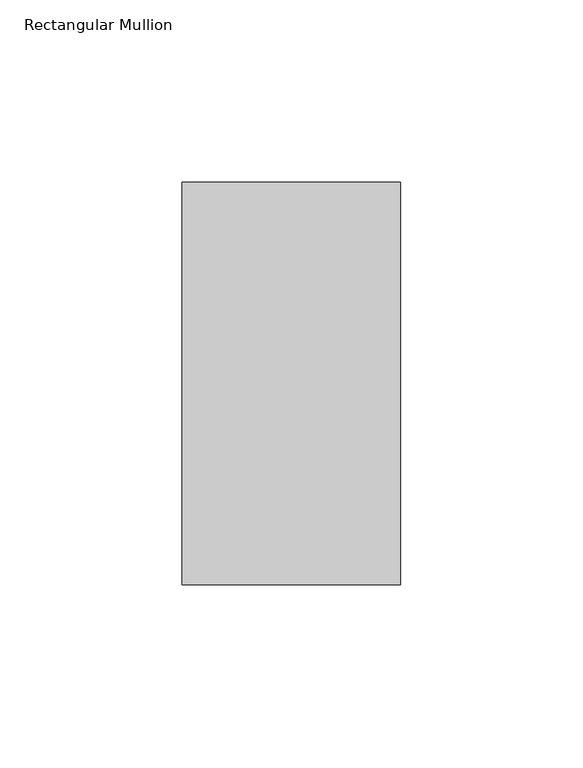
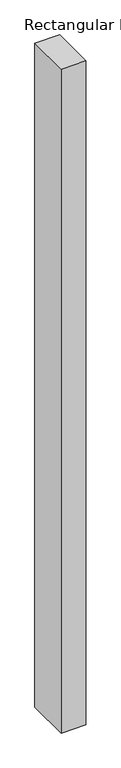
"""IFC4 building model written with IfcOpenShell, lengths in millimetres: member geometry, Rectangular Mullion."""

from ifc_helpers import new_model, si_unit, frame, origin, place, context, project, spatial, polyline, outline, extrude, source, transform, mapped, element, save


def rectangular_mullion_0fa49f32(model_context):
    return source(origin(), model_context, "Body", "SweptSolid", [
        extrude(outline(polyline([(30.0, 70.7), (30.0, -39.7), (-30.0, -39.7), (-30.0, 70.7), (30.0, 70.7)])), frame((0.0, 0.0, -1708.8912252), z_axis=(0.0, 0.0, 1.0), x_axis=(1.0, 0.0, 0.0)), (0.0, 0.0, 1.0), 1708.8912252),
    ])


if __name__ == "__main__":
    model = new_model("IFC4")
    model_context = context("Model", 3, world=origin())
    ifc_project = project(units=[si_unit("LENGTHUNIT", "METRE", prefix="MILLI")], contexts=[model_context])
    site = spatial("IfcSite", under=ifc_project)
    building = spatial("IfcBuilding", under=site)
    placement = place(None, origin())
    rectangular_mullion_shape = rectangular_mullion_0fa49f32(model_context)
    element("IfcMember", 1, ObjectType="Rectangular Mullion", at=placement, inside=building, context=model_context, shape_type="MappedRepresentation", body=[
        mapped(rectangular_mullion_shape, transform((0.0, 0.0, 0.0), x_axis=(1.0, 0.0, 0.0), y_axis=(0.0, 1.0, 0.0), z_axis=(0.0, 0.0, 1.0))),
    ])
    save(model, "model.ifc")
